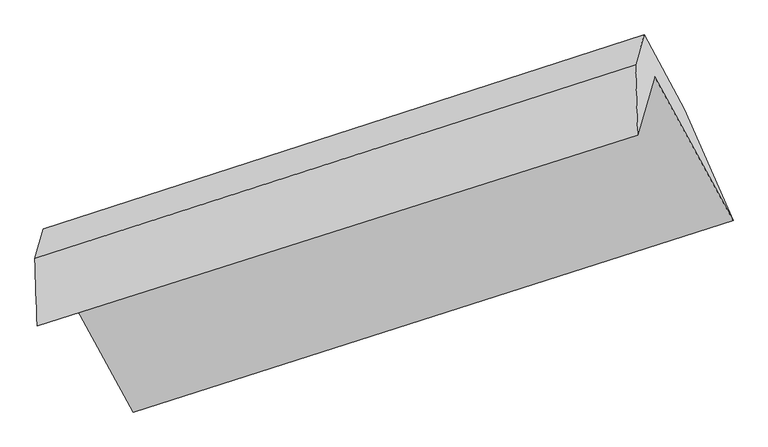
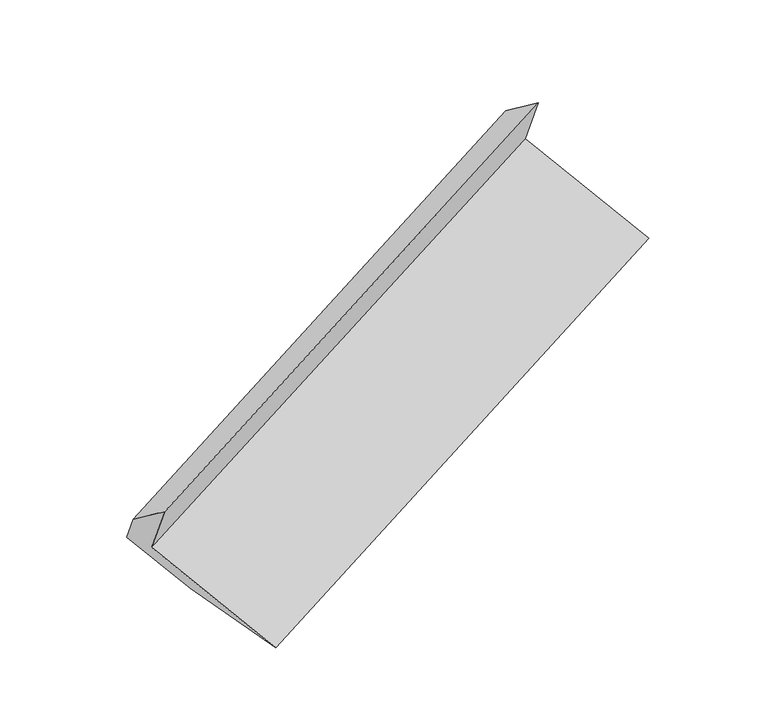
"""IFC4 building model written with IfcOpenShell, lengths in millimetres: proxy geometry."""

import ifcopenshell
import ifcopenshell.guid

model = None  # the IFC model being written
_history = None  # IfcOwnerHistory: only IFC2X3 demands one
_inside = {}  # id of a spatial element -> (the spatial element, [elements in it])
_under = {}  # id of a project, library or spatial element -> (it, [spatial elements below it])
_declared = {}  # id of a project -> (the project, [libraries it declares])
_typed = {}  # id of a type object -> (the type object, [elements of that type])
_made_of = {}  # id of a material, layer set ... -> (it, [elements and type objects made of it])


def new_model(schema):
    """Start an empty IFC model of exactly this schema.

    Asked for "IFC4X3", IfcOpenShell would pick the latest addendum, in which some entities
    have other attributes; the version numbers below select the first issue.
    IFC2X3 requires an IfcOwnerHistory on every rooted entity: one is made here for all.
    """
    global model, _history
    if schema == "IFC4X3":
        model = ifcopenshell.file(schema_version=(4, 3, 0, 0))
    else:
        model = ifcopenshell.file(schema=schema)
    _inside.clear()
    _under.clear()
    _declared.clear()
    _typed.clear()
    _made_of.clear()
    _history = None
    if model.schema == "IFC2X3":
        org = make("IfcOrganization", Name="unknown")
        user = make(
            "IfcPersonAndOrganization",
            ThePerson=make("IfcPerson", FamilyName="unknown"),
            TheOrganization=org,
        )
        app = make(
            "IfcApplication",
            ApplicationDeveloper=org,
            Version="unknown",
            ApplicationFullName="unknown",
            ApplicationIdentifier="unknown",
        )
        _history = make(
            "IfcOwnerHistory",
            OwningUser=user,
            OwningApplication=app,
            ChangeAction="ADDED",
            CreationDate=0,
        )
    return model


def make(cls, **values):
    """One entity of the class cls with the attributes given. An attribute that is None is left unset."""
    return model.create_entity(
        cls, **{name: value for name, value in values.items() if value is not None}
    )


def rooted(cls, **values):
    """An entity with a GlobalId (a new one), such as an element, a storey or a relation."""
    return make(cls, GlobalId=ifcopenshell.guid.new(), OwnerHistory=_history, **values)


def si_unit(unit_type, name, prefix=None):
    """IfcSIUnit, for example si_unit("LENGTHUNIT", "METRE", prefix="MILLI")."""
    return make("IfcSIUnit", UnitType=unit_type, Prefix=prefix, Name=name)


def assignment(units):
    """IfcUnitAssignment: the units of a project."""
    return None if units is None else make("IfcUnitAssignment", Units=units)


def point(xyz):
    """IfcCartesianPoint."""
    return None if xyz is None else make("IfcCartesianPoint", Coordinates=xyz)


def direction(xyz):
    """IfcDirection."""
    return None if xyz is None else make("IfcDirection", DirectionRatios=xyz)


def frame(location, z_axis=None, x_axis=None):
    """IfcAxis2Placement3D, a coordinate frame: its origin and axes. An axis left out is left unset."""
    return make(
        "IfcAxis2Placement3D",
        Location=point(location),
        Axis=direction(z_axis),
        RefDirection=direction(x_axis),
    )


def origin():
    """The frame at (0, 0, 0) with its axes left unset."""
    return frame((0.0, 0.0, 0.0))


def place(relative_to, where):
    """IfcLocalPlacement: puts the frame where relative to a parent placement (None: the world)."""
    return make(
        "IfcLocalPlacement", PlacementRelTo=relative_to, RelativePlacement=where
    )


def context(
    kind, dimensions, precision=None, world=None, true_north=None, identifier=None
):
    """IfcGeometricRepresentationContext, for example the 3D "Model" context."""
    return make(
        "IfcGeometricRepresentationContext",
        ContextIdentifier=identifier,
        ContextType=kind,
        CoordinateSpaceDimension=dimensions,
        Precision=precision,
        WorldCoordinateSystem=world,
        TrueNorth=true_north,
    )


def project(units=None, contexts=None):
    """IfcProject with its units and contexts."""
    return rooted(
        "IfcProject",
        Name="project",
        RepresentationContexts=contexts,
        UnitsInContext=assignment(units),
    )


def spatial(cls, under=None, at=None, **own):
    """A site, building, storey or space (cls), placed at a placement, below another one or the project."""
    s = rooted(cls, ObjectPlacement=at, **own)
    if under is not None:
        _under.setdefault(under.id(), (under, []))[1].append(s)
    return s


def shape(context_of_items, identifier, shape_type, items):
    """IfcShapeRepresentation: the items that make up one representation, for example the "Body"."""
    return make(
        "IfcShapeRepresentation",
        ContextOfItems=context_of_items,
        RepresentationIdentifier=identifier,
        RepresentationType=shape_type,
        Items=items,
    )


def source(mapping_origin, context_of_items, identifier, shape_type, items):
    """IfcRepresentationMap: a shape defined once, which mapped items show again and again."""
    return make(
        "IfcRepresentationMap",
        MappingOrigin=mapping_origin,
        MappedRepresentation=shape(context_of_items, identifier, shape_type, items),
    )


def transform(
    local_origin,
    x_axis=None,
    y_axis=None,
    z_axis=None,
    scale=None,
    scale2=None,
    scale3=None,
    uniform=True,
):
    """IfcCartesianTransformationOperator3D, or its non-uniform kind. x_axis, y_axis, z_axis: its Axis1, 2, 3."""
    if uniform:
        return make(
            "IfcCartesianTransformationOperator3D",
            Axis1=direction(x_axis),
            Axis2=direction(y_axis),
            LocalOrigin=point(local_origin),
            Scale=scale,
            Axis3=direction(z_axis),
        )
    return make(
        "IfcCartesianTransformationOperator3DnonUniform",
        Axis1=direction(x_axis),
        Axis2=direction(y_axis),
        LocalOrigin=point(local_origin),
        Scale=scale,
        Axis3=direction(z_axis),
        Scale2=scale2,
        Scale3=scale3,
    )


def mapped(mapping_source, mapping_target):
    """IfcMappedItem: shows the shape of a source again, moved by a transform."""
    return make(
        "IfcMappedItem", MappingSource=mapping_source, MappingTarget=mapping_target
    )


def made_of(thing, what):
    """Note that an element or type object is made of a material, layer set ...; save() writes the relation."""
    if what is not None:
        _made_of.setdefault(what.id(), (what, []))[1].append(thing)
    return thing


def element(
    cls,
    number,
    at=None,
    inside=None,
    cuts=None,
    type_object=None,
    material=None,
    context=None,
    identifier="Body",
    shape_type=None,
    held_by="IfcProductDefinitionShape",
    body=None,
    shapes=None,
    **own,
):
    """One element of the class cls, such as IfcWall. Its Tag is "e" and its number.

    at: its placement. inside: the storey or other place that contains it. cuts: it is an
    opening in that element (IfcRelVoidsElement). A single representation is given by context,
    identifier, shape_type and body (its items); several are given by shapes. held_by: the class
    of the entity that holds the representations. save() writes the other relations.
    """
    e = rooted(cls, Tag="e%d" % number, ObjectPlacement=at, **own)
    if body is not None:
        shapes = [shape(context, identifier, shape_type, body)]
    if shapes is not None:
        e.Representation = make(held_by, Representations=shapes)
    if inside is not None:
        _inside.setdefault(inside.id(), (inside, []))[1].append(e)
    if cuts is not None:
        rooted(
            "IfcRelVoidsElement", RelatingBuildingElement=cuts, RelatedOpeningElement=e
        )
    if type_object is not None:
        _typed.setdefault(type_object.id(), (type_object, []))[1].append(e)
    return made_of(e, material)


def aggregate(whole, parts):
    """IfcRelAggregates: a whole, such as a stair, and the parts it consists of."""
    return rooted("IfcRelAggregates", RelatingObject=whole, RelatedObjects=parts)


def save(model, path):
    """Write the relations noted so far, then the file.

    IfcRelAggregates (storeys below a building ...), IfcRelContainedInSpatialStructure (elements
    in a storey), IfcRelDefinesByType, IfcRelAssociatesMaterial and IfcRelDeclares: one each for
    every whole, place, type object, material and project.
    """
    for whole, parts in _under.values():
        aggregate(whole, parts)
    for where, things in _inside.values():
        rooted(
            "IfcRelContainedInSpatialStructure",
            RelatedElements=things,
            RelatingStructure=where,
        )
    for kind, things in _typed.values():
        rooted("IfcRelDefinesByType", RelatedObjects=things, RelatingType=kind)
    for what, things in _made_of.values():
        rooted("IfcRelAssociatesMaterial", RelatedObjects=things, RelatingMaterial=what)
    for by, libraries in _declared.values():
        rooted("IfcRelDeclares", RelatingContext=by, RelatedDefinitions=libraries)
    model.write(path)


def plane_surface(at):
    """IfcPlane: the flat surface through the origin of the frame at, square to its z axis."""
    return make("IfcPlane", Position=at)


def spline_surface(u_degree, v_degree, points, u_multiplicities, v_multiplicities, u_knots, v_knots, weights=None):
    """IfcBSplineSurfaceWithKnots; with weights, IfcRationalBSplineSurfaceWithKnots. points: one row for each step in u."""
    own = dict(
        UDegree=u_degree,
        VDegree=v_degree,
        ControlPointsList=[[point(p) for p in row] for row in points],
        SurfaceForm="UNSPECIFIED",
        UClosed=False,
        VClosed=False,
        SelfIntersect=False,
        UMultiplicities=u_multiplicities,
        VMultiplicities=v_multiplicities,
        UKnots=u_knots,
        VKnots=v_knots,
        KnotSpec="UNSPECIFIED",
    )
    if weights is None:
        return make("IfcBSplineSurfaceWithKnots", **own)
    return make("IfcRationalBSplineSurfaceWithKnots", WeightsData=weights, **own)


def advanced_brep(points, edges, surfaces, faces):
    """IfcAdvancedBrep: a solid bounded by faces that lie on surfaces and meet in shared edges.

    An edge is (start, end): straight between two places in points (the first is 0);
    or (start, end, curve); or (start, end, curve, False) where it runs against its curve.
    A face is (place in surfaces, loops), or (place, loops, False) where it looks against
    its surface's normal. A loop lists edges by number (the first is 1), with a minus sign
    where the edge is run from its end to its start. The first loop is the outer one.
    """
    corners = [point(p) for p in points]
    vertices = [make("IfcVertexPoint", VertexGeometry=c) for c in corners]
    made = []
    for start, end, *more in edges:
        made.append(
            make(
                "IfcEdgeCurve",
                EdgeStart=vertices[start],
                EdgeEnd=vertices[end],
                EdgeGeometry=more[0] if more else make("IfcPolyline", Points=[corners[start], corners[end]]),
                SameSense=more[1] if len(more) > 1 else True,
            )
        )
    hull = []
    for where, loops, *sense in faces:
        bounds = []
        for j, loop in enumerate(loops):
            ring = [make("IfcOrientedEdge", EdgeElement=made[abs(k) - 1], Orientation=k > 0) for k in loop]
            bounds.append(
                make(
                    "IfcFaceOuterBound" if j == 0 else "IfcFaceBound",
                    Bound=make("IfcEdgeLoop", EdgeList=ring),
                    Orientation=True,
                )
            )
        hull.append(make("IfcAdvancedFace", Bounds=bounds, FaceSurface=surfaces[where], SameSense=sense[0] if sense else True))
    return make("IfcAdvancedBrep", Outer=make("IfcClosedShell", CfsFaces=hull))


def generic_models_6b8f9b15(model_context):
    return source(origin(), model_context, "Body", "AdvancedBrep", [
        advanced_brep(
        [(-5228.0133989, -2394.5688931, 1717.1858586), (-5106.0220561, -1969.1606833, 1058.435359), (-766.2428782, -590.6448632, 2800.5085274), (-888.234221, -1016.0530729, 3459.259027), (-5243.5986678, -1906.8299455, 1353.1093814), (-903.5253522, -504.3120869, 3074.5957668), (-5182.106405, -1692.394127, 1021.0525491), (-842.0330894, -289.8762684, 2742.5389344), (-4889.892896, -2228.4839248, 728.9700643), (-549.8195804, -825.9660662, 2450.4564496), (-4534.1021922, -3018.3948728, 486.7719354), (-198.6404251, -1631.9584062, 2233.1605787)],
        [
            (0, 1),
            (1, 2),
            (2, 3),
            (3, 0),
            (4, 0),
            (3, 5),
            (5, 4),
            (6, 4),
            (5, 7),
            (7, 6),
            (8, 6),
            (7, 9),
            (9, 8),
            (10, 8),
            (9, 11),
            (11, 10),
            (1, 10),
            (11, 2),
        ],
        [
            plane_surface(frame((-5167.0177275, -2181.8647882, 1387.8106088), z_axis=(0.4262635330353218, -0.7938467610340083, -0.4337127164380349), x_axis=(0.15371828397039686, 0.536046398711095, -0.8300752662271429))),
            spline_surface(1, 1, [[(-5243.5986678, -1906.8299455, 1353.1093814), (-903.5253522, -504.3120869, 3074.5957668)], [(-5228.0133989, -2394.5688931, 1717.1858586), (-888.234221, -1016.0530729, 3459.259027)]], [2, 2], [2, 2], [0.0, 1.0], [0.0, 1.0]),
            plane_surface(frame((-5212.8525364, -1799.6120362, 1187.0809653), z_axis=(-0.4280911604262323, 0.7932560668892341, 0.4329928067628205), x_axis=(-0.1537182839703971, -0.5360463987110959, 0.8300752662271423))),
            plane_surface(frame((-5035.9996505, -1960.4390259, 875.0113067), z_axis=(0.15554111566694442, 0.5366443192591657, -0.8293490434937205), x_axis=(-0.4317410807685734, 0.7920646432301733, 0.4315474946300145))),
            spline_surface(1, 1, [[(-4534.1021922, -3018.3948728, 486.7719354), (-198.6404251, -1631.9584062, 2233.1605787)], [(-4889.892896, -2228.4839248, 728.9700643), (-549.8195804, -825.9660662, 2450.4564496)]], [2, 2], [2, 2], [0.0, 1.0], [0.0, 1.0]),
            plane_surface(frame((-4820.0621241, -2493.7777781, 772.6036472), z_axis=(-0.16100550014583864, -0.5384244732543659, 0.8271495121944684), x_axis=(0.43174108076857043, -0.792064643230173, -0.4315474946300183))),
            plane_surface(frame((-691.4159244, -809.801794, 2793.4198806), z_axis=(0.8888027499676079, 0.29204085223391774, 0.3531880692725972), x_axis=(-0.4317410807685734, 0.7920646432301733, 0.4315474946300145))),
            plane_surface(frame((-5030.6226027, -2201.6387411, 1060.920858), z_axis=(-0.888802749967607, -0.2920408522339198, -0.35318806927259805), x_axis=(-0.15371828397039664, -0.5360463987110963, 0.8300752662271422))),
        ],
        [
            (0, [[1, 2, 3, 4]]),
            (1, [[5, -4, 6, 7]]),
            (2, [[8, -7, 9, 10]]),
            (3, [[11, -10, 12, 13]]),
            (4, [[14, -13, 15, 16]]),
            (5, [[17, -16, 18, -2]]),
            (6, [[-12, -9, -6, -3, -18, -15]]),
            (7, [[-1, -5, -8, -11, -14, -17]]),
        ],
    ),
    ])


if __name__ == "__main__":
    model = new_model("IFC4")
    model_context = context("Model", 3, world=origin())
    ifc_project = project(units=[si_unit("LENGTHUNIT", "METRE", prefix="MILLI")], contexts=[model_context])
    site = spatial("IfcSite", under=ifc_project)
    building = spatial("IfcBuilding", under=site)
    placement = place(None, origin())
    generic_models_shape = generic_models_6b8f9b15(model_context)
    element("IfcBuildingElementProxy", 1, Name="Generic Models", at=placement, inside=building, context=model_context, shape_type="MappedRepresentation", body=[
        mapped(generic_models_shape, transform((0.0, 0.0, 0.0), x_axis=(1.0, 0.0, 0.0), y_axis=(0.0, 1.0, 0.0), z_axis=(0.0, 0.0, 1.0))),
    ])
    save(model, "model.ifc")
